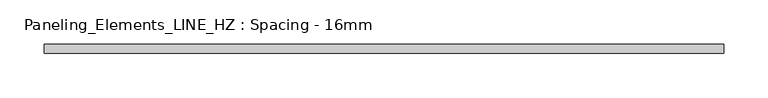
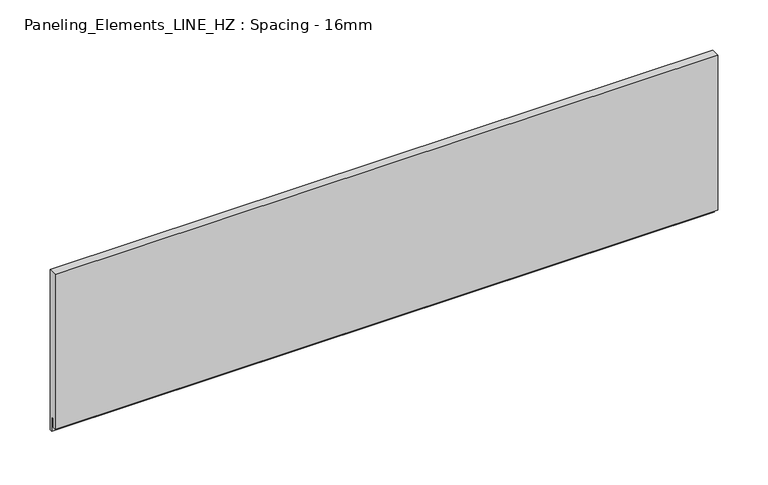
"""IFC4 building model written with IfcOpenShell, lengths in millimetres: plate geometry, Paneling_Elements_LINE_HZ : Spacing - 16mm."""

from ifc_helpers import new_model, si_unit, frame, origin, place, context, project, spatial, polyline, outline, extrude, source, transform, mapped, element, save


def paneling_elements_line_hz_spacing_16mm_e0cfe1eb(model_context):
    return source(origin(), model_context, "Body", "SweptSolid", [
        extrude(outline(polyline([(5.0, 189.0), (5.0, -7.0), (2.0, -7.0), (2.0, 11.0), (-1.0, 11.0), (-1.0, 0.0), (-5.0, 0.0), (-5.0, 189.0), (5.0, 189.0)])), frame((-382.25, 0.0, 0.0), z_axis=(1.0, 0.0, 0.0), x_axis=(0.0, 1.0, 0.0)), (0.0, 0.0, 1.0), 764.5),
    ])


if __name__ == "__main__":
    model = new_model("IFC4")
    model_context = context("Model", 3, world=origin())
    ifc_project = project(units=[si_unit("LENGTHUNIT", "METRE", prefix="MILLI")], contexts=[model_context])
    site = spatial("IfcSite", under=ifc_project)
    building = spatial("IfcBuilding", under=site)
    placement = place(None, origin())
    paneling_elements_line_hz_spacing_16mm_shape = paneling_elements_line_hz_spacing_16mm_e0cfe1eb(model_context)
    element("IfcPlate", 1, ObjectType="Paneling_Elements_LINE_HZ : Spacing - 16mm", at=placement, inside=building, context=model_context, shape_type="MappedRepresentation", body=[
        mapped(paneling_elements_line_hz_spacing_16mm_shape, transform((0.0, 0.0, 0.0), x_axis=(1.0, 0.0, 0.0), y_axis=(0.0, 1.0, 0.0), z_axis=(0.0, 0.0, 1.0))),
    ])
    save(model, "model.ifc")
